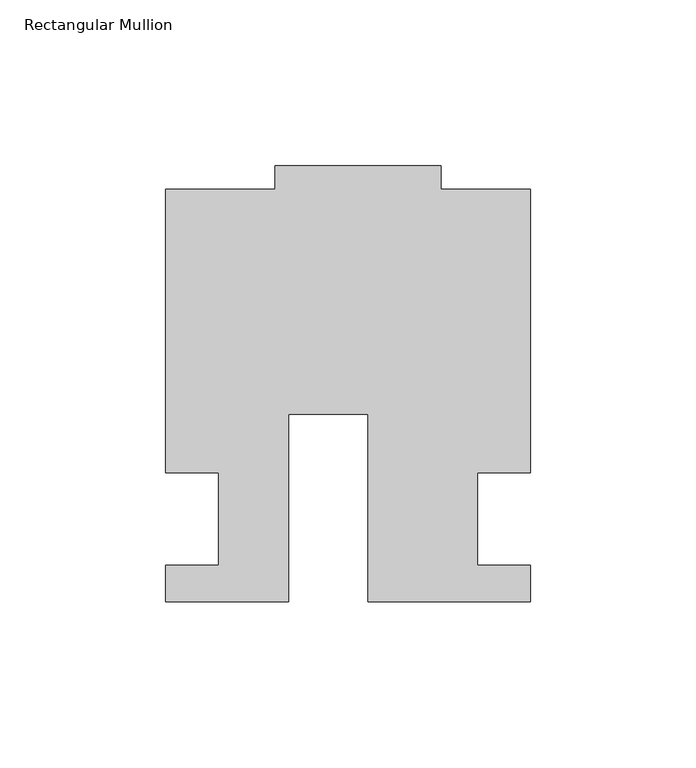
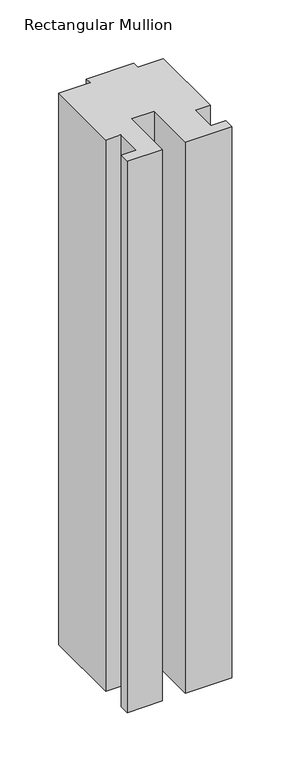
"""IFC4 building model written with IfcOpenShell, lengths in millimetres: member geometry, Rectangular Mullion."""

from ifc_helpers import new_model, si_unit, frame, origin, place, context, project, spatial, polyline, outline, extrude, source, transform, mapped, element, save


def rectangular_mullion_c09baace(model_context):
    return source(origin(), model_context, "Body", "SweptSolid", [
        extrude(outline(polyline([(-24.0309529, -25.0), (-61.0409135, -25.0), (-61.0409135, -14.0), (-44.9971154, -14.0), (-44.9971154, 14.0), (-60.9971154, 14.0), (-60.9971154, 99.4999439), (-27.9971154, 99.4999439), (-27.9971154, 106.5), (22.0028846, 106.5), (22.0028846, 99.5), (49.0, 99.5), (49.0, 14.0), (32.9971154, 14.0), (32.9971154, -14.0), (49.0, -14.0), (49.0, -25.0), (0.0, -25.0), (0.0, 31.6008577), (-24.0309529, 31.6008577), (-24.0309529, -25.0)])), frame((0.0, 0.0, -613.2487321), z_axis=(0.0, 0.0, 1.0), x_axis=(1.0, 0.0, 0.0)), (0.0, 0.0, 1.0), 613.2487321),
    ])


if __name__ == "__main__":
    model = new_model("IFC4")
    model_context = context("Model", 3, world=origin())
    ifc_project = project(units=[si_unit("LENGTHUNIT", "METRE", prefix="MILLI")], contexts=[model_context])
    site = spatial("IfcSite", under=ifc_project)
    building = spatial("IfcBuilding", under=site)
    placement = place(None, origin())
    rectangular_mullion_shape = rectangular_mullion_c09baace(model_context)
    element("IfcMember", 1, ObjectType="Rectangular Mullion", at=placement, inside=building, context=model_context, shape_type="MappedRepresentation", body=[
        mapped(rectangular_mullion_shape, transform((0.0, 0.0, 0.0), x_axis=(1.0, 0.0, 0.0), y_axis=(0.0, 1.0, 0.0), z_axis=(0.0, 0.0, 1.0))),
    ])
    save(model, "model.ifc")
